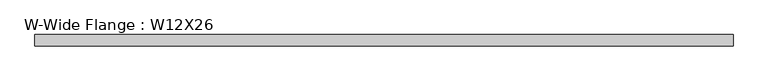
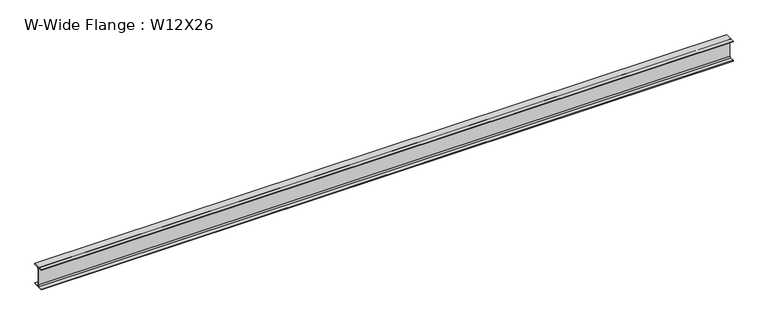
"""IFC4 building model written with IfcOpenShell, lengths in millimetres: beam geometry, W-Wide Flange : W12X26."""

from ifc_helpers import new_model, si_unit, point, frame, frame_2d, origin, place, context, project, spatial, polyline, circle_curve, trimmed, segment, composite_curve, outline, extrude, source, transform, mapped, element, save


def w_wide_flange_w12x26_3dae1dbd(model_context):
    return source(origin(), model_context, "Body", "SweptSolid", [
        extrude(outline(composite_curve([segment(polyline([(82.423, -145.288), (82.423, -154.94), (-82.423, -154.94), (-82.423, -145.288), (-20.2565, -145.288)]), True, "CONTINUOUS"), segment(trimmed(circle_curve(frame_2d((-20.2565, -127.9525)), 17.3355), [point((-20.2565, -145.288))], [point((-2.921, -127.9525))], True, "CARTESIAN"), True, "CONTINUOUS"), segment(polyline([(-2.921, -127.9525), (-2.921, 127.9525)]), True, "CONTINUOUS"), segment(trimmed(circle_curve(frame_2d((-20.2565, 127.9525)), 17.3355), [point((-2.921, 127.9525))], [point((-20.2565, 145.288))], True, "CARTESIAN"), True, "CONTINUOUS"), segment(polyline([(-20.2565, 145.288), (-82.423, 145.288), (-82.423, 154.94), (82.423, 154.94), (82.423, 145.288), (20.2565, 145.288)]), True, "CONTINUOUS"), segment(trimmed(circle_curve(frame_2d((20.2565, 127.9525)), 17.3355), [point((20.2565, 145.288))], [point((2.921, 127.9525))], True, "CARTESIAN"), True, "CONTINUOUS"), segment(polyline([(2.921, 127.9525), (2.921, -127.9525)]), True, "CONTINUOUS"), segment(trimmed(circle_curve(frame_2d((20.2565, -127.9525)), 17.3355), [point((2.921, -127.9525))], [point((20.2565, -145.288))], True, "CARTESIAN"), True, "CONTINUOUS"), segment(polyline([(20.2565, -145.288), (82.423, -145.288)]), True, "CONTINUOUS")], self_intersect=False)), frame((-7110.1338363, 0.0, 0.0), z_axis=(1.0, 0.0, 0.0), x_axis=(0.0, 1.0, 0.0)), (0.0, 0.0, 1.0), 10234.3338363),
    ])


if __name__ == "__main__":
    model = new_model("IFC4")
    model_context = context("Model", 3, world=origin())
    ifc_project = project(units=[si_unit("LENGTHUNIT", "METRE", prefix="MILLI")], contexts=[model_context])
    site = spatial("IfcSite", under=ifc_project)
    building = spatial("IfcBuilding", under=site)
    placement = place(None, origin())
    w_wide_flange_w12x26_shape = w_wide_flange_w12x26_3dae1dbd(model_context)
    element("IfcBeam", 1, ObjectType="W-Wide Flange : W12X26", at=placement, inside=building, context=model_context, shape_type="MappedRepresentation", body=[
        mapped(w_wide_flange_w12x26_shape, transform((0.0, 0.0, 0.0), x_axis=(1.0, 0.0, 0.0), y_axis=(0.0, 1.0, 0.0), z_axis=(0.0, 0.0, 1.0))),
    ])
    save(model, "model.ifc")
